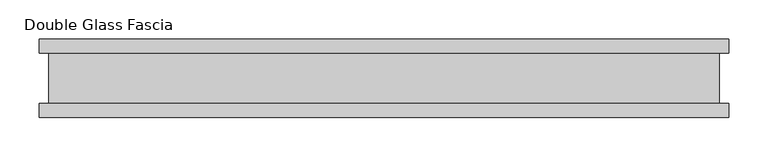
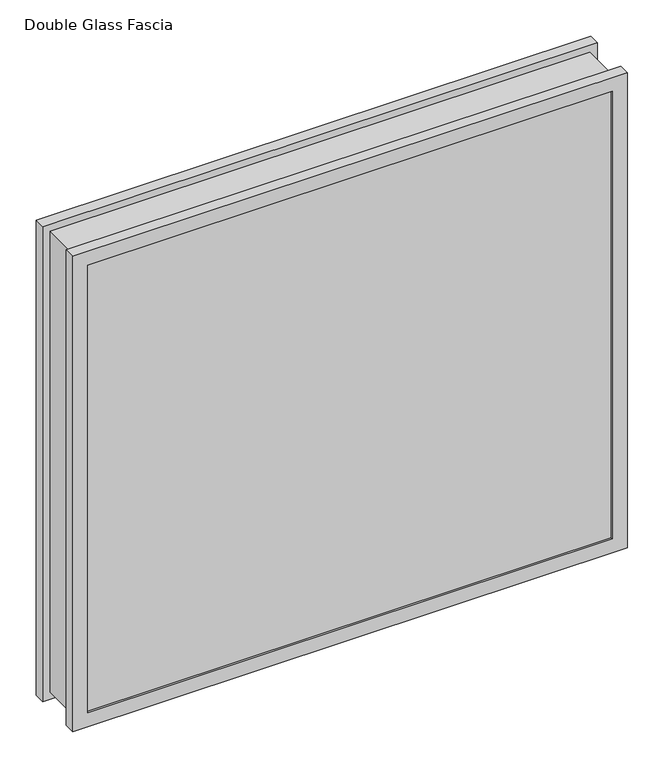
"""IFC4 building model written with IfcOpenShell, lengths in millimetres: proxy geometry, Double Glass Fascia."""

from ifc_helpers import new_model, si_unit, frame, origin, place, context, project, spatial, polyline, outline, extrude, faceted_brep, source, transform, mapped, element, save


def double_glass_fascia_696ed291(model_context):
    return source(origin(), model_context, "Body", "SolidModel", [
        faceted_brep([(427.6486746, 32.4352299, 787.400885), (427.6486746, -32.4352299, 787.400885), (427.6486746, -32.4352299, 15.0359151), (427.6486746, 32.4352299, 15.0359151), (-427.6486746, -32.4352299, 15.0359151), (-427.6486746, 32.4352299, 15.0359151), (-427.6486746, -32.4352299, 787.400885), (-427.6486746, 32.4352299, 787.400885), (416.4717897, -38.8962152, 776.2240001), (416.4717897, 38.8962152, 776.2240001), (416.4717897, 38.8962152, 26.2128), (416.4717897, -38.8962152, 26.2128), (433.2064289, -47.1322551, 792.9586393), (433.2064289, -38.8962152, 792.9586393), (433.2064289, -38.8962152, 9.4781608), (433.2064289, -47.1322551, 9.4781608), (416.2939897, -50.0558594, 776.0462001), (416.2939897, -47.1322551, 776.0462001), (416.2939897, -47.1322551, 26.3906), (416.2939897, -50.0558594, 26.3906), (439.5095897, -32.4352299, 799.2618001), (439.5095897, -50.0558594, 799.2618001), (439.5095897, -50.0558594, 3.175), (439.5095897, -32.4352299, 3.175), (-416.4717897, 38.8962152, 26.2128), (-416.4717897, -38.8962152, 26.2128), (-433.2064289, -38.8962152, 9.4781608), (-433.2064289, -47.1322551, 9.4781608), (-416.2939897, -47.1322551, 26.3906), (-416.2939897, -50.0558594, 26.3906), (-439.5095897, -50.0558594, 3.175), (-439.5095897, -32.4352299, 3.175), (-416.4717897, 38.8962152, 776.2240001), (-416.4717897, -38.8962152, 776.2240001), (-433.2064289, -38.8962152, 792.9586393), (-433.2064289, -47.1322551, 792.9586393), (-416.2939897, -47.1322551, 776.0462001), (-416.2939897, -50.0558594, 776.0462001), (-439.5095897, -50.0558594, 799.2618001), (-439.5095897, -32.4352299, 799.2618001), (439.5095897, 50.0558594, 799.2618001), (439.5095897, 32.4352299, 799.2618001), (439.5095897, 32.4352299, 3.175), (439.5095897, 50.0558594, 3.175), (416.4717897, 47.1322551, 776.2240001), (416.4717897, 50.0558594, 776.2240001), (416.4717897, 50.0558594, 26.2128), (416.4717897, 47.1322551, 26.2128), (433.2064289, 38.8962152, 792.9586393), (433.2064289, 47.1322551, 792.9586393), (433.2064289, 47.1322551, 9.4781608), (433.2064289, 38.8962152, 9.4781608), (-439.5095897, 32.4352299, 3.175), (-439.5095897, 50.0558594, 3.175), (-416.4717897, 50.0558594, 26.2128), (-416.4717897, 47.1322551, 26.2128), (-433.2064289, 47.1322551, 9.4781608), (-433.2064289, 38.8962152, 9.4781608), (-439.5095897, 32.4352299, 799.2618001), (-439.5095897, 50.0558594, 799.2618001), (-416.4717897, 50.0558594, 776.2240001), (-416.4717897, 47.1322551, 776.2240001), (-433.2064289, 47.1322551, 792.9586393), (-433.2064289, 38.8962152, 792.9586393)], [[[0, 1, 2, 3]], [[3, 2, 4, 5]], [[5, 4, 6, 7]], [[7, 6, 1, 0]], [[8, 9, 10, 11]], [[12, 13, 14, 15]], [[16, 17, 18, 19]], [[20, 21, 22, 23]], [[11, 10, 24, 25]], [[15, 14, 26, 27]], [[19, 18, 28, 29]], [[23, 22, 30, 31]], [[25, 24, 32, 33]], [[27, 26, 34, 35]], [[29, 28, 36, 37]], [[31, 30, 38, 39]], [[33, 32, 9, 8]], [[13, 34, 26, 14], [11, 25, 33, 8]], [[35, 34, 13, 12]], [[15, 27, 35, 12], [17, 36, 28, 18]], [[37, 36, 17, 16]], [[21, 38, 30, 22], [19, 29, 37, 16]], [[39, 38, 21, 20]], [[23, 31, 39, 20], [1, 6, 4, 2]], [[40, 41, 42, 43]], [[44, 45, 46, 47]], [[48, 49, 50, 51]], [[43, 42, 52, 53]], [[47, 46, 54, 55]], [[51, 50, 56, 57]], [[53, 52, 58, 59]], [[55, 54, 60, 61]], [[57, 56, 62, 63]], [[41, 58, 52, 42], [3, 5, 7, 0]], [[59, 58, 41, 40]], [[43, 53, 59, 40], [45, 60, 54, 46]], [[61, 60, 45, 44]], [[49, 62, 56, 50], [47, 55, 61, 44]], [[63, 62, 49, 48]], [[51, 57, 63, 48], [9, 32, 24, 10]]]),
        extrude(outline(polyline([(428.6845898, -40.9277344), (428.6845898, -46.8808594), (-428.6845898, -46.8808594), (-428.6845898, -40.9277344), (428.6845898, -40.9277344)])), frame((0.0, 0.0, 5.3275263), z_axis=(0.0, 0.0, 1.0), x_axis=(1.0, 0.0, 0.0)), (0.0, 0.0, 1.0), 791.2877281),
        extrude(outline(polyline([(428.6845898, 41.1791301), (-428.6845898, 41.1791301), (-428.6845898, 47.1322551), (428.6845898, 47.1322551), (428.6845898, 41.1791301)])), frame((0.0, 0.0, 5.3275263), z_axis=(0.0, 0.0, 1.0), x_axis=(1.0, 0.0, 0.0)), (0.0, 0.0, 1.0), 791.2877281),
    ])


if __name__ == "__main__":
    model = new_model("IFC4")
    model_context = context("Model", 3, world=origin())
    ifc_project = project(units=[si_unit("LENGTHUNIT", "METRE", prefix="MILLI")], contexts=[model_context])
    site = spatial("IfcSite", under=ifc_project)
    building = spatial("IfcBuilding", under=site)
    placement = place(None, origin())
    double_glass_fascia_shape = double_glass_fascia_696ed291(model_context)
    element("IfcBuildingElementProxy", 1, Name="Double Glass Fascia", ObjectType="Double Glass Fascia", at=placement, inside=building, context=model_context, shape_type="MappedRepresentation", body=[
        mapped(double_glass_fascia_shape, transform((0.0, 0.0, 0.0), x_axis=(1.0, 0.0, 0.0), y_axis=(0.0, 1.0, 0.0), z_axis=(0.0, 0.0, 1.0))),
    ])
    save(model, "model.ifc")
